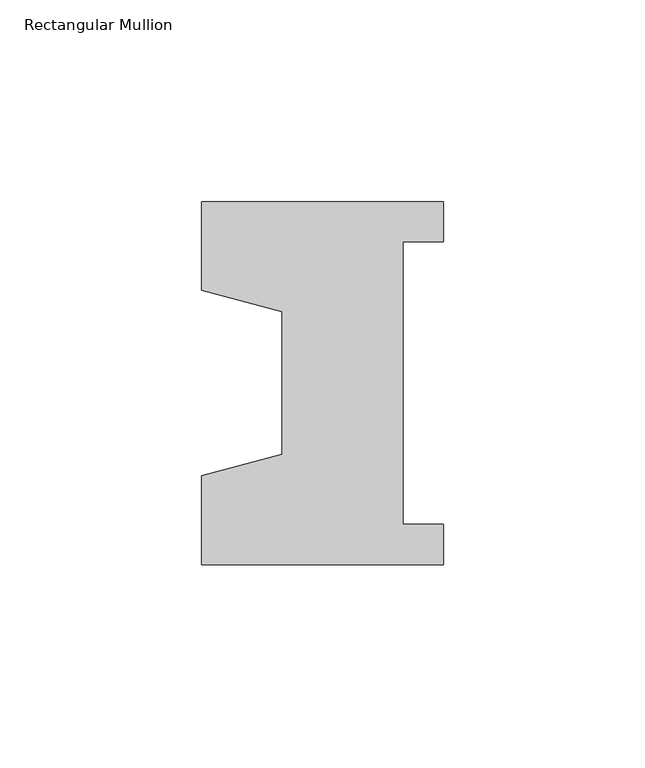
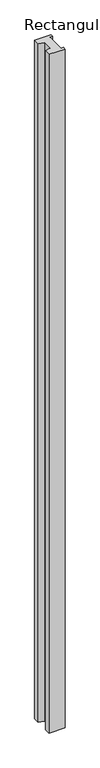
"""IFC4 building model written with IfcOpenShell, lengths in millimetres: member geometry, Rectangular Mullion."""

from ifc_helpers import new_model, si_unit, frame, origin, place, context, project, spatial, polyline, outline, extrude, source, transform, mapped, element, save


def rectangular_mullion_cd1afd51(model_context):
    return source(origin(), model_context, "Body", "SweptSolid", [
        extrude(outline(polyline([(-60.0, -45.0), (-60.0, -22.9993165), (-40.0, -17.6401049), (-40.0, 17.6401049), (-60.0, 22.9993165), (-60.0, 45.0), (0.0, 45.0), (0.0, 35.0), (-10.0, 35.0), (-10.0, -35.0), (0.0, -35.0), (0.0, -45.0), (-60.0, -45.0)])), frame((0.0, 0.0, -2627.0), z_axis=(0.0, 0.0, 1.0), x_axis=(1.0, 0.0, 0.0)), (0.0, 0.0, 1.0), 2627.0),
    ])


if __name__ == "__main__":
    model = new_model("IFC4")
    model_context = context("Model", 3, world=origin())
    ifc_project = project(units=[si_unit("LENGTHUNIT", "METRE", prefix="MILLI")], contexts=[model_context])
    site = spatial("IfcSite", under=ifc_project)
    building = spatial("IfcBuilding", under=site)
    placement = place(None, origin())
    rectangular_mullion_shape = rectangular_mullion_cd1afd51(model_context)
    element("IfcMember", 1, ObjectType="Rectangular Mullion", at=placement, inside=building, context=model_context, shape_type="MappedRepresentation", body=[
        mapped(rectangular_mullion_shape, transform((0.0, 0.0, 0.0), x_axis=(1.0, 0.0, 0.0), y_axis=(0.0, 1.0, 0.0), z_axis=(0.0, 0.0, 1.0))),
    ])
    save(model, "model.ifc")
